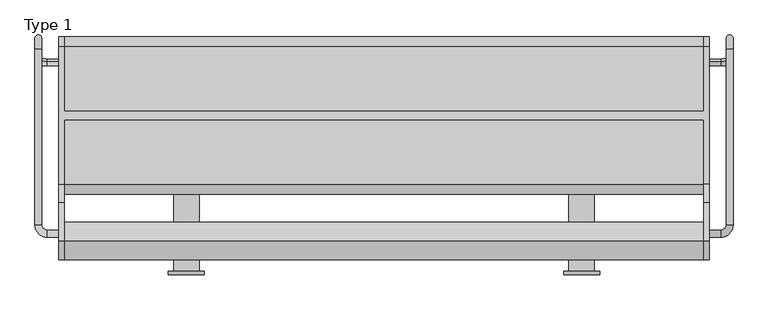
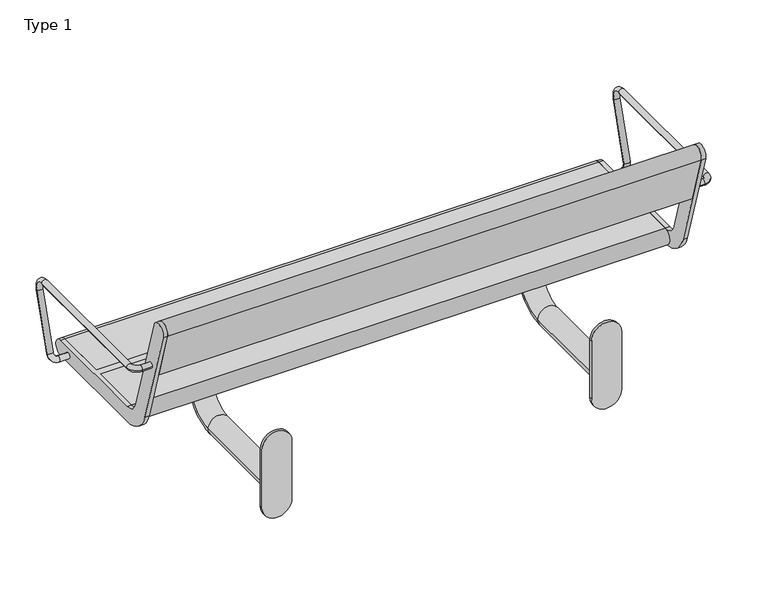
"""IFC4 building model written with IfcOpenShell, lengths in millimetres: furniture geometry, Type 1."""

from ifc_helpers import new_model, si_unit, point, frame, frame_2d, origin, place, context, project, spatial, polyline, circle_curve, ellipse_curve, trimmed, segment, composite_curve, outline, extrude, source, transform, mapped, element, save
from ifc_brep_helpers import plane_surface, cylinder_surface, revolved_surface, advanced_brep


def type_1_56f604e8(model_context):
    return source(origin(), model_context, "Body", "SolidModel", [
        advanced_brep(
        [(-632.0, 671.3389736, 435.150438), (-632.0, 666.6610264, 419.849562), (-659.0, 666.6610264, 419.849562), (-659.0, 671.3389736, 435.150438), (-688.0, 675.1398058, 447.5823999), (-672.0, 675.1398058, 447.5823999), (-672.0, 291.0, 641.5), (-672.0, 699.3793835, 641.5), (-688.0, 699.3793835, 641.5), (-688.0, 291.0, 641.5), (-688.0, 724.1796199, 607.9844042), (-672.0, 724.1796199, 607.9844042), (-632.0, 278.0, 641.5), (-632.0, 262.0, 641.5), (-659.0, 278.0, 641.5), (-659.0, 262.0, 641.5)],
        [
            (0, 1, circle_curve(frame((-632.0, 669.0, 427.5), z_axis=(1.0, 0.0, 0.0), x_axis=(0.0, -0.2923717047227402, -0.9563047559630344)), 8.0)),
            (1, 0, circle_curve(frame((-632.0, 669.0, 427.5), z_axis=(1.0, 0.0, 0.0), x_axis=(0.0, -0.2923717047227402, -0.9563047559630344)), 8.0)),
            (1, 2),
            (2, 3, circle_curve(frame((-659.0, 669.0, 427.5), z_axis=(1.0, 0.0, 0.0), x_axis=(0.0, -0.2923717047227402, -0.9563047559630344)), 8.0)),
            (3, 0),
            (3, 2, circle_curve(frame((-659.0, 669.0, 427.5), z_axis=(1.0, 0.0, 0.0), x_axis=(0.0, -0.2923717047227402, -0.9563047559630344)), 8.0)),
            (2, 4, circle_curve(frame((-659.0, 675.1398058, 447.5823999), z_axis=(0.0, 0.9563047559630344, -0.29237170472274027), x_axis=(0.0, -0.29237170472274027, -0.9563047559630344)), 29.0)),
            (4, 5, circle_curve(frame((-680.0, 675.1398058, 447.5823999), z_axis=(0.0, -0.29237170472274027, -0.9563047559630344), x_axis=(-1.0, 0.0, 0.0)), 8.0)),
            (5, 3, circle_curve(frame((-659.0, 675.1398058, 447.5823999), z_axis=(0.0, -0.9563047559630344, 0.29237170472274027), x_axis=(0.0, -0.29237170472274027, -0.9563047559630344)), 13.0)),
            (5, 4, circle_curve(frame((-680.0, 675.1398058, 447.5823999), z_axis=(0.0, -0.29237170472274027, -0.9563047559630344), x_axis=(-1.0, 0.0, 0.0)), 8.0)),
            (6, 7),
            (7, 8, circle_curve(frame((-680.0, 699.3793835, 641.5), z_axis=(0.0, -1.0, 0.0), x_axis=(-1.0, 0.0, 0.0)), 8.0)),
            (8, 9),
            (9, 6, circle_curve(frame((-680.0, 291.0, 641.5), z_axis=(0.0, 1.0, 0.0), x_axis=(-1.0, 0.0, 0.0)), 8.0)),
            (6, 9, circle_curve(frame((-680.0, 291.0, 641.5), z_axis=(0.0, 1.0, 0.0), x_axis=(-1.0, 0.0, 0.0)), 8.0)),
            (8, 7, circle_curve(frame((-680.0, 699.3793835, 641.5), z_axis=(0.0, -1.0, 0.0), x_axis=(-1.0, 0.0, 0.0)), 8.0)),
            (8, 10, circle_curve(frame((-688.0, 699.3793835, 615.5665973), z_axis=(-1.0, 0.0, 0.0), x_axis=(0.0, 0.0, 1.0)), 25.9334027)),
            (10, 11, circle_curve(frame((-680.0, 724.1796199, 607.9844042), z_axis=(0.0, 0.29237170472273366, 0.9563047559630364), x_axis=(-1.0, 0.0, 0.0)), 8.0)),
            (11, 7, circle_curve(frame((-672.0, 699.3793835, 615.5665973), z_axis=(1.0, 0.0, 0.0), x_axis=(0.0, 0.0, 1.0)), 25.9334027)),
            (11, 10, circle_curve(frame((-680.0, 724.1796199, 607.9844042), z_axis=(0.0, 0.2923717047227341, 0.9563047559630362), x_axis=(-1.0, 0.0, 0.0)), 8.0)),
            (10, 4),
            (5, 11),
            (12, 13, circle_curve(frame((-632.0, 270.0, 641.5), z_axis=(1.0, 0.0, 0.0), x_axis=(0.0, -1.0, 0.0)), 8.0)),
            (13, 12, circle_curve(frame((-632.0, 270.0, 641.5), z_axis=(1.0, 0.0, 0.0), x_axis=(0.0, -1.0, 0.0)), 8.0)),
            (12, 14),
            (14, 15, circle_curve(frame((-659.0, 270.0, 641.5), z_axis=(1.0, 0.0, 0.0), x_axis=(0.0, -1.0, 0.0)), 8.0)),
            (15, 13),
            (15, 14, circle_curve(frame((-659.0, 270.0, 641.5), z_axis=(1.0, 0.0, 0.0), x_axis=(0.0, -1.0, 0.0)), 8.0)),
            (14, 6, circle_curve(frame((-659.0, 291.0, 641.5), z_axis=(0.0, 0.0, -1.0), x_axis=(0.0, -1.0, 0.0)), 13.0)),
            (9, 15, circle_curve(frame((-659.0, 291.0, 641.5), z_axis=(0.0, 0.0, 1.0), x_axis=(0.0, -1.0, 0.0)), 29.0)),
        ],
        [
            plane_surface(frame((-632.0, 55.530499, 615.0564486), z_axis=(1.0, 0.0, 0.0), x_axis=(0.0, 0.9563047559630344, -0.29237170472274027))),
            cylinder_surface(frame((-632.0, 669.0, 427.5), z_axis=(1.0, 0.0, 0.0), x_axis=(0.0, -0.2923717047227402, -0.9563047559630344)), 8.0),
            revolved_surface(trimmed(ellipse_curve(frame((-659.0, 669.0, 427.5), z_axis=(1.0, 0.0, 0.0), x_axis=(0.0, -0.2923717047227402, -0.9563047559630344)), 8.0, 8.0), [point((-659.0, 666.6610264, 419.849562))], [point((-659.0, 671.3389736, 435.150438))], True, "CARTESIAN"), (-659.0, 61.6703048, 635.1388485), (0.0, 0.9563047559630344, -0.29237170472274027)),
            revolved_surface(trimmed(ellipse_curve(frame((-659.0, 669.0, 427.5), z_axis=(1.0, 0.0, 0.0), x_axis=(0.0, -0.2923717047227402, -0.9563047559630344)), 8.0, 8.0), [point((-659.0, 671.3389736, 435.150438))], [point((-659.0, 666.6610264, 419.849562))], True, "CARTESIAN"), (-659.0, 61.6703048, 635.1388485), (0.0, 0.9563047559630344, -0.29237170472274027)),
            cylinder_surface(frame((-680.0, 291.0, 641.5), z_axis=(0.0, -1.0, 0.0), x_axis=(-1.0, 0.0, 0.0)), 8.0),
            revolved_surface(trimmed(ellipse_curve(frame((-680.0, 699.3793835, 641.5), z_axis=(0.0, -1.0, 0.0), x_axis=(-1.0, 0.0, 0.0)), 8.0, 8.0), [point((-688.0, 699.3793835, 641.5))], [point((-672.0, 699.3793835, 641.5))], True, "CARTESIAN"), (-375.0, 699.3793835, 615.5665973), (-1.0, 0.0, 0.0)),
            revolved_surface(trimmed(ellipse_curve(frame((-680.0, 699.3793835, 641.5), z_axis=(0.0, -1.0, 0.0), x_axis=(-1.0, 0.0, 0.0)), 8.0, 8.0), [point((-672.0, 699.3793835, 641.5))], [point((-688.0, 699.3793835, 641.5))], True, "CARTESIAN"), (-375.0, 699.3793835, 615.5665973), (-1.0, 0.0, 0.0)),
            cylinder_surface(frame((-680.0, 724.1796199, 607.9844042), z_axis=(0.0, 0.29237170472273794, 0.9563047559630351), x_axis=(-1.0, 0.0, 0.0)), 8.0),
            plane_surface(frame((-632.0, 270.0, 0.0), z_axis=(1.0, 0.0, 0.0), x_axis=(0.0, 0.0, 1.0))),
            cylinder_surface(frame((-632.0, 270.0, 641.5), z_axis=(1.0, 0.0, 0.0), x_axis=(0.0, -1.0, 0.0)), 8.0),
            revolved_surface(trimmed(ellipse_curve(frame((-659.0, 270.0, 641.5), z_axis=(1.0, 0.0, 0.0), x_axis=(0.0, -1.0, 0.0)), 8.0, 8.0), [point((-659.0, 278.0, 641.5))], [point((-659.0, 262.0, 641.5))], True, "CARTESIAN"), (-659.0, 291.0, 0.0), (0.0, 0.0, -1.0)),
            revolved_surface(trimmed(ellipse_curve(frame((-659.0, 270.0, 641.5), z_axis=(1.0, 0.0, 0.0), x_axis=(0.0, -1.0, 0.0)), 8.0, 8.0), [point((-659.0, 262.0, 641.5))], [point((-659.0, 278.0, 641.5))], True, "CARTESIAN"), (-659.0, 291.0, 0.0), (0.0, 0.0, -1.0)),
        ],
        [
            (0, [[1, 2]]),
            (1, [[-2, 3, 4, 5]]),
            (1, [[-1, -5, 6, -3]]),
            (2, [[-4, 7, 8, 9]]),
            (3, [[-6, -9, 10, -7]]),
            (4, [[11, 12, 13, 14]]),
            (4, [[-11, 15, -13, 16]]),
            (5, [[-16, 17, 18, 19]]),
            (6, [[-12, -19, 20, -17]]),
            (7, [[-18, 21, -10, 22]]),
            (7, [[-20, -22, -8, -21]]),
            (8, [[23, 24]]),
            (9, [[-23, 25, 26, 27]]),
            (9, [[-24, -27, 28, -25]]),
            (10, [[-26, 29, -14, 30]]),
            (11, [[-28, -30, -15, -29]]),
        ],
    ),
        advanced_brep(
        [(938.0, 291.0, 641.5), (938.0, 699.3793835, 641.5), (922.0, 699.3793835, 641.5), (922.0, 291.0, 641.5), (882.0, 278.0, 641.5), (882.0, 262.0, 641.5), (909.0, 262.0, 641.5), (909.0, 278.0, 641.5), (922.0, 724.1796199, 607.9844042), (938.0, 724.1796199, 607.9844042), (922.0, 675.1398058, 447.5823999), (938.0, 675.1398058, 447.5823999), (882.0, 671.3389736, 435.150438), (882.0, 666.6610264, 419.849562), (909.0, 671.3389736, 435.150438), (909.0, 666.6610264, 419.849562)],
        [
            (0, 1),
            (1, 2, circle_curve(frame((930.0, 699.3793835, 641.5), z_axis=(0.0, -1.0, 0.0), x_axis=(1.0, 0.0, 0.0)), 8.0)),
            (2, 3),
            (3, 0, circle_curve(frame((930.0, 291.0, 641.5), z_axis=(0.0, 1.0, 0.0), x_axis=(1.0, 0.0, 0.0)), 8.0)),
            (0, 3, circle_curve(frame((930.0, 291.0, 641.5), z_axis=(0.0, 1.0, 0.0), x_axis=(1.0, 0.0, 0.0)), 8.0)),
            (2, 1, circle_curve(frame((930.0, 699.3793835, 641.5), z_axis=(0.0, -1.0, 0.0), x_axis=(1.0, 0.0, 0.0)), 8.0)),
            (4, 5, circle_curve(frame((882.0, 270.0, 641.5), z_axis=(-1.0, 0.0, 0.0), x_axis=(0.0, -1.0, 0.0)), 8.0)),
            (5, 4, circle_curve(frame((882.0, 270.0, 641.5), z_axis=(-1.0, 0.0, 0.0), x_axis=(0.0, -1.0, 0.0)), 8.0)),
            (5, 6),
            (6, 7, circle_curve(frame((909.0, 270.0, 641.5), z_axis=(-1.0, 0.0, 0.0), x_axis=(0.0, -1.0, 0.0)), 8.0)),
            (7, 4),
            (7, 6, circle_curve(frame((909.0, 270.0, 641.5), z_axis=(-1.0, 0.0, 0.0), x_axis=(0.0, -1.0, 0.0)), 8.0)),
            (6, 0, circle_curve(frame((909.0, 291.0, 641.5), z_axis=(0.0, 0.0, 1.0), x_axis=(0.0, -1.0, 0.0)), 29.0)),
            (3, 7, circle_curve(frame((909.0, 291.0, 641.5), z_axis=(0.0, 0.0, -1.0), x_axis=(0.0, -1.0, 0.0)), 13.0)),
            (2, 8, circle_curve(frame((922.0, 699.3793835, 615.5665973), z_axis=(-1.0, 0.0, 0.0), x_axis=(0.0, 0.0, 1.0)), 25.9334027)),
            (8, 9, circle_curve(frame((930.0, 724.1796199, 607.9844042), z_axis=(0.0, 0.29237170472273327, 0.9563047559630365), x_axis=(1.0, 0.0, 0.0)), 8.0)),
            (9, 1, circle_curve(frame((938.0, 699.3793835, 615.5665973), z_axis=(1.0, 0.0, 0.0), x_axis=(0.0, 0.0, 1.0)), 25.9334027)),
            (9, 8, circle_curve(frame((930.0, 724.1796199, 607.9844042), z_axis=(0.0, 0.29237170472273366, 0.9563047559630364), x_axis=(1.0, 0.0, 0.0)), 8.0)),
            (8, 10),
            (10, 11, circle_curve(frame((930.0, 675.1398058, 447.5823999), z_axis=(0.0, 0.29237170472273794, 0.9563047559630351), x_axis=(1.0, 0.0, 0.0)), 8.0)),
            (11, 9),
            (11, 10, circle_curve(frame((930.0, 675.1398058, 447.5823999), z_axis=(0.0, 0.29237170472273794, 0.9563047559630351), x_axis=(1.0, 0.0, 0.0)), 8.0)),
            (12, 13, circle_curve(frame((882.0, 669.0, 427.5), z_axis=(-1.0, 0.0, 0.0), x_axis=(0.0, -0.2923717047227402, -0.9563047559630344)), 8.0)),
            (13, 12, circle_curve(frame((882.0, 669.0, 427.5), z_axis=(-1.0, 0.0, 0.0), x_axis=(0.0, -0.2923717047227402, -0.9563047559630344)), 8.0)),
            (12, 14),
            (14, 15, circle_curve(frame((909.0, 669.0, 427.5), z_axis=(-1.0, 0.0, 0.0), x_axis=(0.0, -0.2923717047227402, -0.9563047559630344)), 8.0)),
            (15, 13),
            (15, 14, circle_curve(frame((909.0, 669.0, 427.5), z_axis=(-1.0, 0.0, 0.0), x_axis=(0.0, -0.2923717047227402, -0.9563047559630344)), 8.0)),
            (14, 10, circle_curve(frame((909.0, 675.1398058, 447.5823999), z_axis=(0.0, -0.9563047559630344, 0.29237170472274027), x_axis=(0.0, -0.29237170472274027, -0.9563047559630344)), 13.0)),
            (11, 15, circle_curve(frame((909.0, 675.1398058, 447.5823999), z_axis=(0.0, 0.9563047559630344, -0.29237170472274027), x_axis=(0.0, -0.29237170472274027, -0.9563047559630344)), 29.0)),
        ],
        [
            cylinder_surface(frame((930.0, 291.0, 641.5), z_axis=(0.0, -1.0, 0.0), x_axis=(1.0, 0.0, 0.0)), 8.0),
            plane_surface(frame((882.0, 270.0, 0.0), z_axis=(-1.0, 0.0, 0.0), x_axis=(0.0, 0.0, 1.0))),
            cylinder_surface(frame((882.0, 270.0, 641.5), z_axis=(-1.0, 0.0, 0.0), x_axis=(0.0, -1.0, 0.0)), 8.0),
            revolved_surface(trimmed(ellipse_curve(frame((909.0, 270.0, 641.5), z_axis=(-1.0, 0.0, 0.0), x_axis=(0.0, -1.0, 0.0)), 8.0, 8.0), [point((909.0, 262.0, 641.5))], [point((909.0, 278.0, 641.5))], True, "CARTESIAN"), (909.0, 291.0, 0.0), (0.0, 0.0, 1.0)),
            revolved_surface(trimmed(ellipse_curve(frame((909.0, 270.0, 641.5), z_axis=(-1.0, 0.0, 0.0), x_axis=(0.0, -1.0, 0.0)), 8.0, 8.0), [point((909.0, 278.0, 641.5))], [point((909.0, 262.0, 641.5))], True, "CARTESIAN"), (909.0, 291.0, 0.0), (0.0, 0.0, 1.0)),
            revolved_surface(trimmed(ellipse_curve(frame((930.0, 699.3793835, 641.5), z_axis=(0.0, -1.0, 0.0), x_axis=(1.0, 0.0, 0.0)), 8.0, 8.0), [point((922.0, 699.3793835, 641.5))], [point((938.0, 699.3793835, 641.5))], True, "CARTESIAN"), (625.0, 699.3793835, 615.5665973), (-1.0, 0.0, 0.0)),
            revolved_surface(trimmed(ellipse_curve(frame((930.0, 699.3793835, 641.5), z_axis=(0.0, -1.0, 0.0), x_axis=(1.0, 0.0, 0.0)), 8.0, 8.0), [point((938.0, 699.3793835, 641.5))], [point((922.0, 699.3793835, 641.5))], True, "CARTESIAN"), (625.0, 699.3793835, 615.5665973), (-1.0, 0.0, 0.0)),
            cylinder_surface(frame((930.0, 724.1796199, 607.9844042), z_axis=(0.0, 0.29237170472273794, 0.9563047559630351), x_axis=(1.0, 0.0, 0.0)), 8.0),
            plane_surface(frame((882.0, 55.530499, 615.0564486), z_axis=(-1.0, 0.0, 0.0), x_axis=(0.0, 0.9563047559630344, -0.29237170472274027))),
            cylinder_surface(frame((882.0, 669.0, 427.5), z_axis=(-1.0, 0.0, 0.0), x_axis=(0.0, -0.2923717047227402, -0.9563047559630344)), 8.0),
            revolved_surface(trimmed(ellipse_curve(frame((909.0, 669.0, 427.5), z_axis=(-1.0, 0.0, 0.0), x_axis=(0.0, -0.2923717047227402, -0.9563047559630344)), 8.0, 8.0), [point((909.0, 671.3389736, 435.150438))], [point((909.0, 666.6610264, 419.849562))], True, "CARTESIAN"), (909.0, 61.6703048, 635.1388485), (0.0, -0.9563047559630344, 0.29237170472274027)),
            revolved_surface(trimmed(ellipse_curve(frame((909.0, 669.0, 427.5), z_axis=(-1.0, 0.0, 0.0), x_axis=(0.0, -0.2923717047227402, -0.9563047559630344)), 8.0, 8.0), [point((909.0, 666.6610264, 419.849562))], [point((909.0, 671.3389736, 435.150438))], True, "CARTESIAN"), (909.0, 61.6703048, 635.1388485), (0.0, -0.9563047559630344, 0.29237170472274027)),
        ],
        [
            (0, [[1, 2, 3, 4]]),
            (0, [[-1, 5, -3, 6]]),
            (1, [[7, 8]]),
            (2, [[-8, 9, 10, 11]]),
            (2, [[-7, -11, 12, -9]]),
            (3, [[-10, 13, -4, 14]]),
            (4, [[-12, -14, -5, -13]]),
            (5, [[-6, 15, 16, 17]]),
            (6, [[-2, -17, 18, -15]]),
            (7, [[-16, 19, 20, 21]]),
            (7, [[-18, -21, 22, -19]]),
            (8, [[23, 24]]),
            (9, [[-23, 25, 26, 27]]),
            (9, [[-24, -27, 28, -25]]),
            (10, [[-26, 29, -22, 30]]),
            (11, [[-28, -30, -20, -29]]),
        ],
    ),
        advanced_brep(
        [(870.0, 253.9624029, 769.6910048), (870.0, 341.966286, 481.8432733), (870.0, 385.0, 450.0), (870.0, 535.5, 450.0), (870.0, 535.5, 405.0), (870.0, 385.0, 405.0), (870.0, 298.932572, 468.6865466), (870.0, 210.9286888, 756.5342781), (870.0, 706.0, 450.0), (870.0, 706.0, 405.0), (870.0, 555.5, 405.0), (870.0, 555.5, 450.0), (882.0, 253.9624029, 769.6910048), (882.0, 210.9286888, 756.5342781), (882.0, 298.932572, 468.6865466), (882.0, 385.0, 405.0), (882.0, 706.0, 405.0), (882.0, 706.0, 450.0), (882.0, 385.0, 450.0), (882.0, 341.966286, 481.8432733), (-620.0, 555.5, 450.0), (-620.0, 706.0, 450.0), (-632.0, 706.0, 450.0), (-632.0, 385.0, 450.0), (-620.0, 385.0, 450.0), (-620.0, 535.5, 450.0), (-620.0, 535.5, 405.0), (-620.0, 385.0, 405.0), (-632.0, 385.0, 405.0), (-632.0, 706.0, 405.0), (-620.0, 706.0, 405.0), (-620.0, 555.5, 405.0), (-632.0, 253.9624029, 769.6910048), (-632.0, 341.966286, 481.8432733), (-632.0, 298.932572, 468.6865466), (-632.0, 210.9286888, 756.5342781), (-620.0, 253.9624029, 769.6910048), (-620.0, 210.9286888, 756.5342781), (-620.0, 298.932572, 468.6865466), (-620.0, 341.966286, 481.8432733)],
        [
            (0, 1),
            (1, 2, circle_curve(frame((870.0, 385.0, 495.0), z_axis=(1.0, 0.0, 0.0), x_axis=(0.0, 1.0, 0.0)), 45.0)),
            (2, 3),
            (3, 4),
            (4, 5),
            (5, 6, circle_curve(frame((870.0, 385.0, 495.0), z_axis=(-1.0, 0.0, 0.0), x_axis=(0.0, 1.0, 0.0)), 90.0)),
            (6, 7),
            (7, 0, circle_curve(frame((870.0, 232.4455459, 763.1126415), z_axis=(-1.0, 0.0, 0.0), x_axis=(0.0, 1.0, 0.0)), 22.5)),
            (8, 9, circle_curve(frame((870.0, 706.0, 427.5), z_axis=(-1.0, 0.0, 0.0), x_axis=(0.0, 1.0, 0.0)), 22.5)),
            (9, 10),
            (10, 11),
            (11, 8),
            (12, 13, circle_curve(frame((882.0, 232.4455459, 763.1126415), z_axis=(1.0, 0.0, 0.0), x_axis=(0.0, 1.0, 0.0)), 22.5)),
            (13, 14),
            (14, 15, circle_curve(frame((882.0, 385.0, 495.0), z_axis=(1.0, 0.0, 0.0), x_axis=(0.0, 1.0, 0.0)), 90.0)),
            (15, 16),
            (16, 17, circle_curve(frame((882.0, 706.0, 427.5), z_axis=(1.0, 0.0, 0.0), x_axis=(0.0, 1.0, 0.0)), 22.5)),
            (17, 18),
            (18, 19, circle_curve(frame((882.0, 385.0, 495.0), z_axis=(-1.0, 0.0, 0.0), x_axis=(0.0, 1.0, 0.0)), 45.0)),
            (19, 12),
            (0, 12),
            (19, 1),
            (18, 2),
            (17, 8),
            (11, 20),
            (20, 21),
            (21, 22),
            (22, 23),
            (23, 24),
            (24, 25),
            (25, 3),
            (15, 5),
            (4, 26),
            (26, 27),
            (27, 28),
            (28, 29),
            (29, 30),
            (30, 31),
            (31, 10),
            (9, 16),
            (14, 6),
            (13, 7),
            (31, 20),
            (25, 26),
            (32, 33),
            (33, 23, circle_curve(frame((-632.0, 385.0, 495.0), z_axis=(1.0, 0.0, 0.0), x_axis=(0.0, 1.0, 0.0)), 45.0)),
            (22, 29, circle_curve(frame((-632.0, 706.0, 427.5), z_axis=(-1.0, 0.0, 0.0), x_axis=(0.0, 1.0, 0.0)), 22.5)),
            (28, 34, circle_curve(frame((-632.0, 385.0, 495.0), z_axis=(-1.0, 0.0, 0.0), x_axis=(0.0, 1.0, 0.0)), 90.0)),
            (34, 35),
            (35, 32, circle_curve(frame((-632.0, 232.4455459, 763.1126415), z_axis=(-1.0, 0.0, 0.0), x_axis=(0.0, 1.0, 0.0)), 22.5)),
            (36, 37, circle_curve(frame((-620.0, 232.4455459, 763.1126415), z_axis=(1.0, 0.0, 0.0), x_axis=(0.0, 1.0, 0.0)), 22.5)),
            (37, 38),
            (38, 27, circle_curve(frame((-620.0, 385.0, 495.0), z_axis=(1.0, 0.0, 0.0), x_axis=(0.0, 1.0, 0.0)), 90.0)),
            (24, 39, circle_curve(frame((-620.0, 385.0, 495.0), z_axis=(-1.0, 0.0, 0.0), x_axis=(0.0, 1.0, 0.0)), 45.0)),
            (39, 36),
            (30, 21, circle_curve(frame((-620.0, 706.0, 427.5), z_axis=(1.0, 0.0, 0.0), x_axis=(0.0, 1.0, 0.0)), 22.5)),
            (32, 36),
            (39, 33),
            (38, 34),
            (37, 35),
        ],
        [
            plane_surface(frame((870.0, 341.966286, 481.8432733), z_axis=(-1.0000000000000002, 0.0, 0.0), x_axis=(0.0, 0.29237170472273394, -0.9563047559630364))),
            plane_surface(frame((882.0, 341.966286, 481.8432733), z_axis=(1.0000000000000002, 0.0, 0.0), x_axis=(0.0, -0.29237170472273394, 0.9563047559630364))),
            plane_surface(frame((870.0, 253.9624029, 769.6910048), z_axis=(0.0, 0.9563047559630364, 0.29237170472273394), x_axis=(1.0, 0.0, 0.0))),
            revolved_surface(polyline([(882.0, 430.0, 495.0), (870.0, 430.0, 495.0)]), (882.0, 385.0, 495.0), (1.0, 0.0, 0.0)),
            plane_surface(frame((870.0, 385.0, 450.0), z_axis=(0.0, 0.0, 1.0), x_axis=(1.0, 0.0, 0.0))),
            plane_surface(frame((870.0, 706.0, 405.0), z_axis=(0.0, 0.0, -1.0), x_axis=(1.0, 0.0, 0.0))),
            cylinder_surface(frame((882.0, 385.0, 495.0), z_axis=(-1.0, 0.0, 0.0), x_axis=(0.0, 1.0, 0.0)), 90.0),
            plane_surface(frame((870.0, 298.932572, 468.6865466), z_axis=(0.0, -0.9563047559630364, -0.29237170472273366), x_axis=(1.0, 0.0, 0.0))),
            cylinder_surface(frame((882.0, 232.4455459, 763.1126415), z_axis=(-1.0, 0.0, 0.0), x_axis=(0.0, 1.0, 0.0)), 22.5),
            cylinder_surface(frame((882.0, 706.0, 427.5), z_axis=(-1.0, 0.0, 0.0), x_axis=(0.0, 1.0, 0.0)), 22.5),
            plane_surface(frame((-620.0, 555.5, 450.0), z_axis=(0.0, 1.0, 0.0), x_axis=(1.0, 0.0, 0.0))),
            plane_surface(frame((-620.0, 535.5, 405.0), z_axis=(0.0, -1.0, 0.0), x_axis=(1.0, 0.0, 0.0))),
            plane_surface(frame((-632.0, 341.966286, 481.8432733), z_axis=(-1.0000000000000002, 0.0, 0.0), x_axis=(0.0, 0.29237170472273394, -0.9563047559630364))),
            plane_surface(frame((-620.0, 341.966286, 481.8432733), z_axis=(1.0000000000000002, 0.0, 0.0), x_axis=(0.0, -0.29237170472273394, 0.9563047559630364))),
            plane_surface(frame((-632.0, 253.9624029, 769.6910048), z_axis=(0.0, 0.9563047559630364, 0.29237170472273394), x_axis=(1.0, 0.0, 0.0))),
            revolved_surface(polyline([(-620.0, 430.0, 495.0), (-632.0, 430.0, 495.0)]), (-620.0, 385.0, 495.0), (1.0, 0.0, 0.0)),
            cylinder_surface(frame((-620.0, 385.0, 495.0), z_axis=(-1.0, 0.0, 0.0), x_axis=(0.0, 1.0, 0.0)), 90.0),
            plane_surface(frame((-632.0, 298.932572, 468.6865466), z_axis=(0.0, -0.9563047559630364, -0.29237170472273366), x_axis=(1.0, 0.0, 0.0))),
            cylinder_surface(frame((-620.0, 232.4455459, 763.1126415), z_axis=(-1.0, 0.0, 0.0), x_axis=(0.0, 1.0, 0.0)), 22.5),
            cylinder_surface(frame((-620.0, 706.0, 427.5), z_axis=(-1.0, 0.0, 0.0), x_axis=(0.0, 1.0, 0.0)), 22.5),
        ],
        [
            (0, [[1, 2, 3, 4, 5, 6, 7, 8]]),
            (0, [[9, 10, 11, 12]]),
            (1, [[13, 14, 15, 16, 17, 18, 19, 20]]),
            (2, [[-1, 21, -20, 22]]),
            (3, [[-2, -22, -19, 23]]),
            (4, [[-18, 24, -12, 25, 26, 27, 28, 29, 30, 31, -3, -23]]),
            (5, [[-16, 32, -5, 33, 34, 35, 36, 37, 38, 39, -10, 40]]),
            (6, [[-6, -32, -15, 41]]),
            (7, [[-7, -41, -14, 42]]),
            (8, [[-8, -42, -13, -21]]),
            (9, [[-9, -24, -17, -40]]),
            (10, [[-25, -11, -39, 43]]),
            (11, [[-31, 44, -33, -4]]),
            (12, [[45, 46, -28, 47, -36, 48, 49, 50]]),
            (13, [[51, 52, 53, -34, -44, -30, 54, 55]]),
            (13, [[56, -26, -43, -38]]),
            (14, [[-45, 57, -55, 58]]),
            (15, [[-46, -58, -54, -29]]),
            (16, [[-48, -35, -53, 59]]),
            (17, [[-49, -59, -52, 60]]),
            (18, [[-50, -60, -51, -57]]),
            (19, [[-47, -27, -56, -37]]),
        ],
    ),
        extrude(outline(composite_curve([segment(polyline([(253.9624029, 769.6910048), (296.5024859, 630.5486628), (253.4687719, 617.3919361), (210.9286888, 756.5342781)]), True, "CONTINUOUS"), segment(trimmed(circle_curve(frame_2d((232.4455459, 763.1126415)), 22.5), [point((210.9286888, 756.5342781))], [point((253.9624029, 769.6910048))], False, "CARTESIAN"), True, "CONTINUOUS")], self_intersect=False)), frame((-620.0, 0.0, 0.0), z_axis=(1.0, 0.0, 0.0), x_axis=(0.0, 1.0, 0.0)), (0.0, 0.0, 1.0), 1490.0),
        extrude(outline(composite_curve([segment(polyline([(535.5, 405.0), (385.0, 405.0)]), True, "CONTINUOUS"), segment(trimmed(circle_curve(frame_2d((385.0, 427.5)), 22.5), [point((385.0, 405.0))], [point((385.0, 450.0))], False, "CARTESIAN"), True, "CONTINUOUS"), segment(polyline([(385.0, 450.0), (535.5, 450.0), (535.5, 405.0)]), True, "CONTINUOUS")], self_intersect=False)), frame((-620.0, 0.0, 0.0), z_axis=(1.0, 0.0, 0.0), x_axis=(0.0, 1.0, 0.0)), (0.0, 0.0, 1.0), 1490.0),
        extrude(outline(composite_curve([segment(polyline([(555.5, 405.0), (555.5, 450.0), (706.0, 450.0)]), True, "CONTINUOUS"), segment(trimmed(circle_curve(frame_2d((706.0, 427.5)), 22.5), [point((706.0, 450.0))], [point((706.0, 405.0))], False, "CARTESIAN"), True, "CONTINUOUS"), segment(polyline([(706.0, 405.0), (555.5, 405.0)]), True, "CONTINUOUS")], self_intersect=False)), frame((-620.0, 0.0, 0.0), z_axis=(1.0, 0.0, 0.0), x_axis=(0.0, 1.0, 0.0)), (0.0, 0.0, 1.0), 1490.0),
        extrude(outline(composite_curve([segment(trimmed(circle_curve(frame_2d((357.0801223, 585.0)), 41.9108501), [point((357.0801223, 626.9108501))], [point((357.0801223, 543.0891499))], False, "CARTESIAN"), True, "CONTINUOUS"), segment(polyline([(357.0801223, 543.0891499), (187.0801223, 543.0891499)]), True, "CONTINUOUS"), segment(trimmed(circle_curve(frame_2d((187.0801223, 585.0)), 41.9108501), [point((187.0801223, 543.0891499))], [point((187.0801223, 626.9108501))], False, "CARTESIAN"), True, "CONTINUOUS"), segment(polyline([(187.0801223, 626.9108501), (357.0801223, 626.9108501)]), True, "CONTINUOUS")], self_intersect=False)), frame((0.0, 175.0, 0.0), z_axis=(0.0, 1.0, 0.0), x_axis=(0.0, 0.0, 1.0)), (0.0, 0.0, 1.0), 8.0),
        advanced_brep(
        [(510.0, 670.0, 405.0), (510.0, 670.0, 389.0), (510.0, 420.0, 389.0), (510.0, 420.0, 405.0), (660.0, 670.0, 405.0), (660.0, 420.0, 405.0), (660.0, 420.0, 389.0), (660.0, 670.0, 389.0), (615.0, 545.0, 389.0), (555.0, 545.0, 389.0), (555.0, 183.0, 246.9999952), (615.0, 183.0, 246.9999952), (555.0, 454.9999981, 246.9999952), (615.0, 454.9999981, 246.9999952), (555.0, 545.0, 336.9999971), (615.0, 545.0, 336.9999971)],
        [
            (0, 1),
            (1, 2),
            (2, 3),
            (3, 0),
            (4, 5),
            (5, 6),
            (6, 7),
            (7, 4),
            (0, 4),
            (7, 1),
            (6, 2),
            (8, 9, circle_curve(frame((585.0, 545.0, 389.0), z_axis=(0.0, 0.0, 1.0), x_axis=(1.0, 0.0, 0.0)), 30.0)),
            (9, 8, circle_curve(frame((585.0, 545.0, 389.0), z_axis=(0.0, 0.0, 1.0), x_axis=(1.0, 0.0, 0.0)), 30.0)),
            (5, 3),
            (10, 11, circle_curve(frame((585.0, 183.0, 246.9999952), z_axis=(0.0, -1.0, 0.0), x_axis=(1.0, 0.0, 0.0)), 30.0)),
            (11, 10, circle_curve(frame((585.0, 183.0, 246.9999952), z_axis=(0.0, -1.0, 0.0), x_axis=(1.0, 0.0, 0.0)), 30.0)),
            (10, 12),
            (12, 13, circle_curve(frame((585.0, 454.9999981, 246.9999952), z_axis=(0.0, -1.0, 0.0), x_axis=(1.0, 0.0, 0.0)), 30.0)),
            (13, 11),
            (13, 12, circle_curve(frame((585.0, 454.9999981, 246.9999952), z_axis=(0.0, -1.0, 0.0), x_axis=(1.0, 0.0, 0.0)), 30.0)),
            (12, 14, circle_curve(frame((555.0, 454.9999981, 336.9999971), z_axis=(1.0, 0.0, 0.0), x_axis=(0.0, 0.0, -1.0)), 90.0000019)),
            (14, 15, circle_curve(frame((585.0, 545.0, 336.9999971), z_axis=(0.0, 0.0, -1.0), x_axis=(1.0, 0.0, 0.0)), 30.0)),
            (15, 13, circle_curve(frame((615.0, 454.9999981, 336.9999971), z_axis=(-1.0, 0.0, 0.0), x_axis=(0.0, 0.0, -1.0)), 90.0000019)),
            (15, 14, circle_curve(frame((585.0, 545.0, 336.9999971), z_axis=(0.0, 0.0, -1.0), x_axis=(1.0, 0.0, 0.0)), 30.0)),
            (14, 9),
            (8, 15),
        ],
        [
            plane_surface(frame((510.0, 670.0, 405.0), z_axis=(-1.0, 0.0, 0.0), x_axis=(0.0, 0.0, -1.0))),
            plane_surface(frame((660.0, 670.0, 405.0), z_axis=(1.0, 0.0, 0.0), x_axis=(0.0, 0.0, 1.0))),
            plane_surface(frame((510.0, 670.0, 405.0), z_axis=(0.0, 1.0, 0.0), x_axis=(1.0, 0.0, 0.0))),
            plane_surface(frame((510.0, 670.0, 389.0), z_axis=(0.0, 0.0, -1.0), x_axis=(1.0, 0.0, 0.0))),
            plane_surface(frame((510.0, 420.0, 389.0), z_axis=(0.0, -1.0, 0.0), x_axis=(1.0, 0.0, 0.0))),
            plane_surface(frame((510.0, 420.0, 405.0), z_axis=(0.0, 0.0, 1.0), x_axis=(1.0, 0.0, 0.0))),
            plane_surface(frame((585.0, 183.0, 246.9999952), z_axis=(0.0, -1.0, 0.0), x_axis=(-1.0, 0.0, 0.0))),
            cylinder_surface(frame((585.0, 183.0, 246.9999952), z_axis=(0.0, -1.0, 0.0), x_axis=(1.0, 0.0, 0.0)), 30.0),
            revolved_surface(trimmed(ellipse_curve(frame((585.0, 454.9999981, 246.9999952), z_axis=(0.0, -1.0, 0.0), x_axis=(1.0, 0.0, 0.0)), 30.0, 30.0), [point((555.0, 454.9999981, 246.9999952))], [point((615.0, 454.9999981, 246.9999952))], True, "CARTESIAN"), (585.0, 454.9999981, 336.9999971), (1.0, 0.0, 0.0)),
            revolved_surface(trimmed(ellipse_curve(frame((585.0, 454.9999981, 246.9999952), z_axis=(0.0, -1.0, 0.0), x_axis=(1.0, 0.0, 0.0)), 30.0, 30.0), [point((615.0, 454.9999981, 246.9999952))], [point((555.0, 454.9999981, 246.9999952))], True, "CARTESIAN"), (585.0, 454.9999981, 336.9999971), (1.0, 0.0, 0.0)),
            cylinder_surface(frame((585.0, 545.0, 336.9999971), z_axis=(0.0, 0.0, -1.0), x_axis=(1.0, 0.0, 0.0)), 30.0),
        ],
        [
            (0, [[1, 2, 3, 4]]),
            (1, [[5, 6, 7, 8]]),
            (2, [[-1, 9, -8, 10]]),
            (3, [[-2, -10, -7, 11], [12, 13]]),
            (4, [[-3, -11, -6, 14]]),
            (5, [[-4, -14, -5, -9]]),
            (6, [[15, 16]]),
            (7, [[-15, 17, 18, 19]]),
            (7, [[-16, -19, 20, -17]]),
            (8, [[-18, 21, 22, 23]]),
            (9, [[-20, -23, 24, -21]]),
            (10, [[-22, 25, -12, 26]]),
            (10, [[-24, -26, -13, -25]]),
        ],
    ),
        extrude(outline(composite_curve([segment(trimmed(circle_curve(frame_2d((357.0801223, -335.0)), 41.9108501), [point((357.0801223, -293.0891499))], [point((357.0801223, -376.9108501))], False, "CARTESIAN"), True, "CONTINUOUS"), segment(polyline([(357.0801223, -376.9108501), (187.0801223, -376.9108501)]), True, "CONTINUOUS"), segment(trimmed(circle_curve(frame_2d((187.0801223, -335.0)), 41.9108501), [point((187.0801223, -376.9108501))], [point((187.0801223, -293.0891499))], False, "CARTESIAN"), True, "CONTINUOUS"), segment(polyline([(187.0801223, -293.0891499), (357.0801223, -293.0891499)]), True, "CONTINUOUS")], self_intersect=False)), frame((0.0, 175.0, 0.0), z_axis=(0.0, 1.0, 0.0), x_axis=(0.0, 0.0, 1.0)), (0.0, 0.0, 1.0), 8.0),
        advanced_brep(
        [(-410.0, 670.0, 405.0), (-410.0, 670.0, 389.0), (-410.0, 420.0, 389.0), (-410.0, 420.0, 405.0), (-260.0, 670.0, 405.0), (-260.0, 420.0, 405.0), (-260.0, 420.0, 389.0), (-260.0, 670.0, 389.0), (-305.0, 545.0, 389.0), (-365.0, 545.0, 389.0), (-365.0, 183.0, 246.9999952), (-305.0, 183.0, 246.9999952), (-365.0, 454.9999981, 246.9999952), (-305.0, 454.9999981, 246.9999952), (-365.0, 545.0, 336.9999971), (-305.0, 545.0, 336.9999971)],
        [
            (0, 1),
            (1, 2),
            (2, 3),
            (3, 0),
            (4, 5),
            (5, 6),
            (6, 7),
            (7, 4),
            (0, 4),
            (7, 1),
            (6, 2),
            (8, 9, circle_curve(frame((-335.0, 545.0, 389.0), z_axis=(0.0, 0.0, 1.0), x_axis=(1.0, 0.0, 0.0)), 30.0)),
            (9, 8, circle_curve(frame((-335.0, 545.0, 389.0), z_axis=(0.0, 0.0, 1.0), x_axis=(1.0, 0.0, 0.0)), 30.0)),
            (5, 3),
            (10, 11, circle_curve(frame((-335.0, 183.0, 246.9999952), z_axis=(0.0, -1.0, 0.0), x_axis=(1.0, 0.0, 0.0)), 30.0)),
            (11, 10, circle_curve(frame((-335.0, 183.0, 246.9999952), z_axis=(0.0, -1.0, 0.0), x_axis=(1.0, 0.0, 0.0)), 30.0)),
            (10, 12),
            (12, 13, circle_curve(frame((-335.0, 454.9999981, 246.9999952), z_axis=(0.0, -1.0, 0.0), x_axis=(1.0, 0.0, 0.0)), 30.0)),
            (13, 11),
            (13, 12, circle_curve(frame((-335.0, 454.9999981, 246.9999952), z_axis=(0.0, -1.0, 0.0), x_axis=(1.0, 0.0, 0.0)), 30.0)),
            (12, 14, circle_curve(frame((-365.0, 454.9999981, 336.9999971), z_axis=(1.0, 0.0, 0.0), x_axis=(0.0, 0.0, -1.0)), 90.0000019)),
            (14, 15, circle_curve(frame((-335.0, 545.0, 336.9999971), z_axis=(0.0, 0.0, -1.0), x_axis=(1.0, 0.0, 0.0)), 30.0)),
            (15, 13, circle_curve(frame((-305.0, 454.9999981, 336.9999971), z_axis=(-1.0, 0.0, 0.0), x_axis=(0.0, 0.0, -1.0)), 90.0000019)),
            (15, 14, circle_curve(frame((-335.0, 545.0, 336.9999971), z_axis=(0.0, 0.0, -1.0), x_axis=(1.0, 0.0, 0.0)), 30.0)),
            (14, 9),
            (8, 15),
        ],
        [
            plane_surface(frame((-410.0, 670.0, 405.0), z_axis=(-1.0, 0.0, 0.0), x_axis=(0.0, 0.0, -1.0))),
            plane_surface(frame((-260.0, 670.0, 405.0), z_axis=(1.0, 0.0, 0.0), x_axis=(0.0, 0.0, 1.0))),
            plane_surface(frame((-410.0, 670.0, 405.0), z_axis=(0.0, 1.0, 0.0), x_axis=(1.0, 0.0, 0.0))),
            plane_surface(frame((-410.0, 670.0, 389.0), z_axis=(0.0, 0.0, -1.0), x_axis=(1.0, 0.0, 0.0))),
            plane_surface(frame((-410.0, 420.0, 389.0), z_axis=(0.0, -1.0, 0.0), x_axis=(1.0, 0.0, 0.0))),
            plane_surface(frame((-410.0, 420.0, 405.0), z_axis=(0.0, 0.0, 1.0), x_axis=(1.0, 0.0, 0.0))),
            plane_surface(frame((-335.0, 183.0, 246.9999952), z_axis=(0.0, -1.0, 0.0), x_axis=(-1.0, 0.0, 0.0))),
            cylinder_surface(frame((-335.0, 183.0, 246.9999952), z_axis=(0.0, -1.0, 0.0), x_axis=(1.0, 0.0, 0.0)), 30.0),
            revolved_surface(trimmed(ellipse_curve(frame((-335.0, 454.9999981, 246.9999952), z_axis=(0.0, -1.0, 0.0), x_axis=(1.0, 0.0, 0.0)), 30.0, 30.0), [point((-365.0, 454.9999981, 246.9999952))], [point((-305.0, 454.9999981, 246.9999952))], True, "CARTESIAN"), (-335.0, 454.9999981, 336.9999971), (1.0, 0.0, 0.0)),
            revolved_surface(trimmed(ellipse_curve(frame((-335.0, 454.9999981, 246.9999952), z_axis=(0.0, -1.0, 0.0), x_axis=(1.0, 0.0, 0.0)), 30.0, 30.0), [point((-305.0, 454.9999981, 246.9999952))], [point((-365.0, 454.9999981, 246.9999952))], True, "CARTESIAN"), (-335.0, 454.9999981, 336.9999971), (1.0, 0.0, 0.0)),
            cylinder_surface(frame((-335.0, 545.0, 336.9999971), z_axis=(0.0, 0.0, -1.0), x_axis=(1.0, 0.0, 0.0)), 30.0),
        ],
        [
            (0, [[1, 2, 3, 4]]),
            (1, [[5, 6, 7, 8]]),
            (2, [[-1, 9, -8, 10]]),
            (3, [[-2, -10, -7, 11], [12, 13]]),
            (4, [[-3, -11, -6, 14]]),
            (5, [[-4, -14, -5, -9]]),
            (6, [[15, 16]]),
            (7, [[-15, 17, 18, 19]]),
            (7, [[-16, -19, 20, -17]]),
            (8, [[-18, 21, 22, 23]]),
            (9, [[-20, -23, 24, -21]]),
            (10, [[-22, 25, -12, 26]]),
            (10, [[-24, -26, -13, -25]]),
        ],
    ),
    ])


if __name__ == "__main__":
    model = new_model("IFC4")
    model_context = context("Model", 3, world=origin())
    ifc_project = project(units=[si_unit("LENGTHUNIT", "METRE", prefix="MILLI")], contexts=[model_context])
    site = spatial("IfcSite", under=ifc_project)
    building = spatial("IfcBuilding", under=site)
    placement = place(None, origin())
    type_1_shape = type_1_56f604e8(model_context)
    element("IfcFurniture", 1, ObjectType="Type 1", at=placement, inside=building, context=model_context, shape_type="MappedRepresentation", body=[
        mapped(type_1_shape, transform((0.0, 0.0, 0.0), x_axis=(1.0, 0.0, 0.0), y_axis=(0.0, 1.0, 0.0), z_axis=(0.0, 0.0, 1.0))),
    ])
    save(model, "model.ifc")
